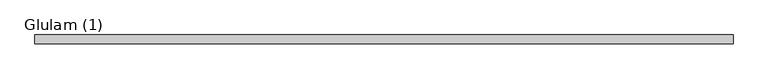
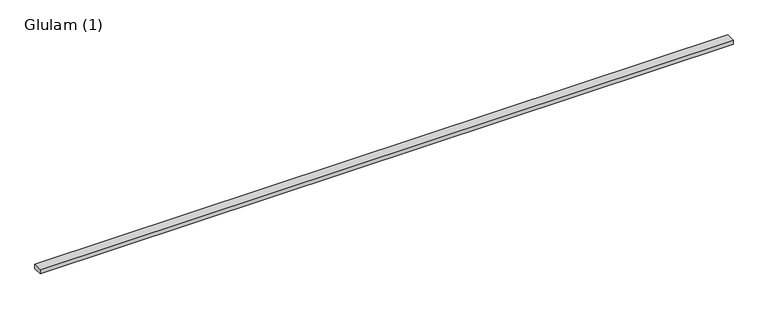
"""IFC4 building model written with IfcOpenShell, lengths in millimetres: beam geometry, Glulam (1)."""

from ifc_helpers import new_model, si_unit, frame, origin, place, context, project, spatial, polyline, outline, extrude, source, transform, mapped, element, save


def glulam_1_9cfd2f92(model_context):
    return source(origin(), model_context, "Body", "SweptSolid", [
        extrude(outline(polyline([(5460.5, 70.0), (5460.5, -70.0), (-5460.5, -70.0), (-5460.5, 70.0), (5460.5, 70.0)])), frame((0.0, 0.0, -35.0), z_axis=(0.0, 0.0, 1.0), x_axis=(1.0, 0.0, 0.0)), (0.0, 0.0, 1.0), 70.0),
    ])


if __name__ == "__main__":
    model = new_model("IFC4")
    model_context = context("Model", 3, world=origin())
    ifc_project = project(units=[si_unit("LENGTHUNIT", "METRE", prefix="MILLI")], contexts=[model_context])
    site = spatial("IfcSite", under=ifc_project)
    building = spatial("IfcBuilding", under=site)
    placement = place(None, origin())
    glulam_1_shape = glulam_1_9cfd2f92(model_context)
    element("IfcBeam", 1, ObjectType="Glulam (1)", at=placement, inside=building, context=model_context, shape_type="MappedRepresentation", body=[
        mapped(glulam_1_shape, transform((0.0, 0.0, 0.0), x_axis=(1.0, 0.0, 0.0), y_axis=(0.0, 1.0, 0.0), z_axis=(0.0, 0.0, 1.0))),
    ])
    save(model, "model.ifc")
